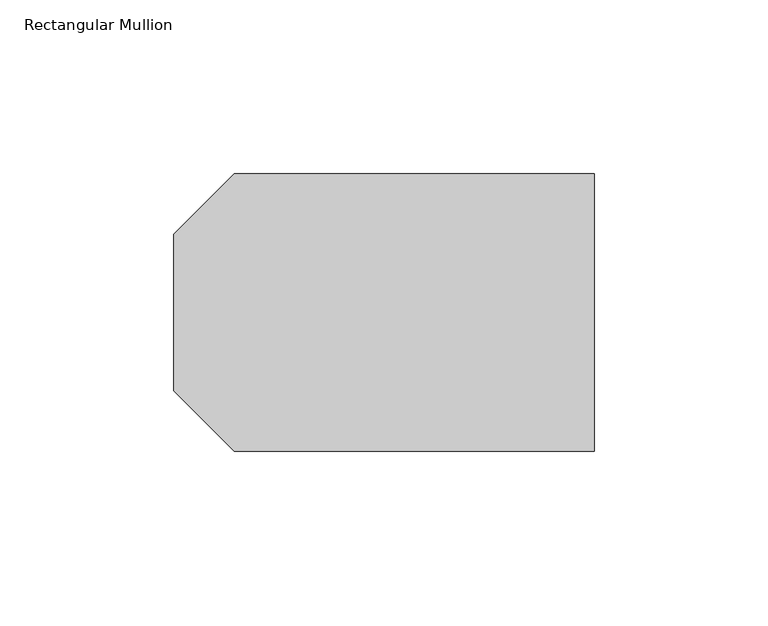
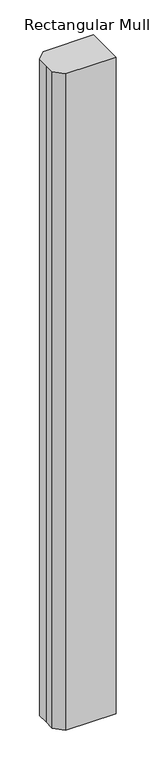
"""IFC4 building model written with IfcOpenShell, lengths in millimetres: member geometry, Rectangular Mullion."""

from ifc_helpers import new_model, si_unit, frame, origin, place, context, project, spatial, polyline, outline, extrude, source, transform, mapped, element, save


def rectangular_mullion_38cead62(model_context):
    return source(origin(), model_context, "Body", "SweptSolid", [
        extrude(outline(polyline([(-121.0, 22.5), (-103.597438, 39.902562), (0.0, 39.902562), (0.0, -39.902562), (-103.597438, -39.902562), (-121.0, -22.5), (-121.0, 0.0), (-121.0, 22.5)])), frame((0.0, 0.0, -1424.9999998), z_axis=(0.0, 0.0, 1.0), x_axis=(1.0, 0.0, 0.0)), (0.0, 0.0, 1.0), 1424.9999998),
    ])


if __name__ == "__main__":
    model = new_model("IFC4")
    model_context = context("Model", 3, world=origin())
    ifc_project = project(units=[si_unit("LENGTHUNIT", "METRE", prefix="MILLI")], contexts=[model_context])
    site = spatial("IfcSite", under=ifc_project)
    building = spatial("IfcBuilding", under=site)
    placement = place(None, origin())
    rectangular_mullion_shape = rectangular_mullion_38cead62(model_context)
    element("IfcMember", 1, ObjectType="Rectangular Mullion", at=placement, inside=building, context=model_context, shape_type="MappedRepresentation", body=[
        mapped(rectangular_mullion_shape, transform((0.0, 0.0, 0.0), x_axis=(1.0, 0.0, 0.0), y_axis=(0.0, 1.0, 0.0), z_axis=(0.0, 0.0, 1.0))),
    ])
    save(model, "model.ifc")
